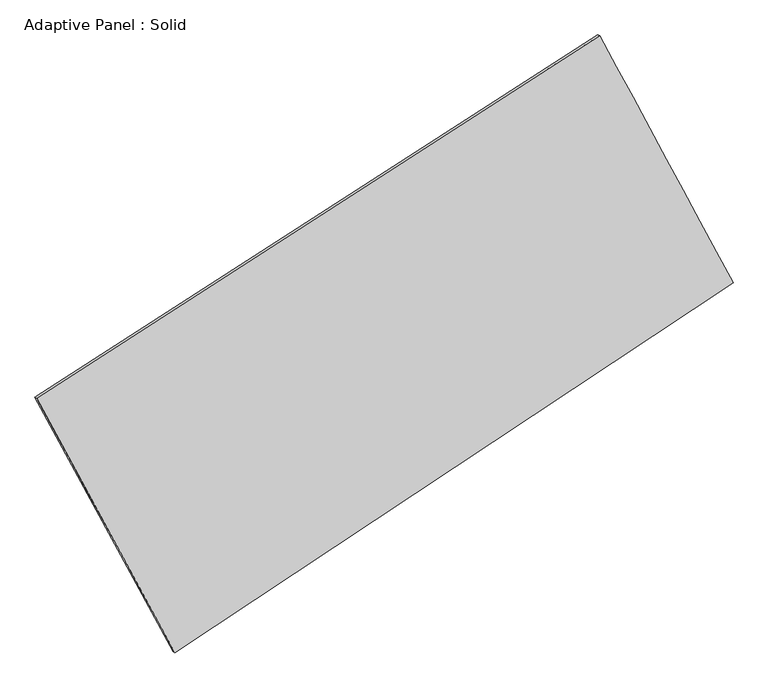
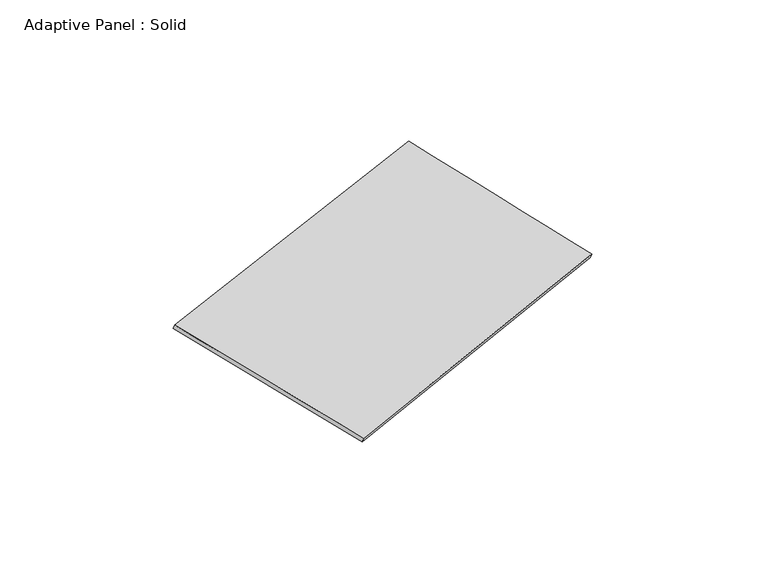
"""IFC4 building model written with IfcOpenShell, lengths in millimetres: plate geometry, Adaptive Panel : Solid."""

from ifc_helpers import new_model, si_unit, frame, origin, place, context, project, spatial, source, transform, mapped, element, save
from ifc_brep_helpers import plane_surface, spline_surface, advanced_brep


def adaptive_panel_solid_811182a7(model_context):
    return source(origin(), model_context, "Body", "AdvancedBrep", [
        advanced_brep(
        [(1195.6810527, 2550.9046024, 667.385211), (-3671.7762196, -582.010247, 1731.184542), (-3657.1098637, -588.3903404, 1778.55745), (1210.3474085, 2544.5245089, 714.7581191), (-2476.0565245, -2783.278903, 1085.4453671), (-2461.3901687, -2789.6589965, 1132.8182751), (2348.8611132, 414.1359748, 1.1074001), (2363.5274691, 407.7558813, 48.4803082)],
        [
            (0, 1),
            (1, 2),
            (2, 3),
            (3, 0),
            (1, 4),
            (4, 5),
            (5, 2),
            (4, 6),
            (6, 7),
            (7, 5),
            (6, 0),
            (3, 7),
        ],
        [
            plane_surface(frame((-1238.0475834, 984.4471777, 1199.2848765), z_axis=(-0.48128203226204713, 0.83659711451189, 0.2616732187521177), x_axis=(-0.8270270145036862, -0.5323118559900742, 0.18074956501613512))),
            plane_surface(frame((-3073.916372, -1682.644575, 1408.3149545), z_axis=(-0.8380801225459429, -0.5111603100740041, 0.1906222589269827), x_axis=(0.462212206633947, -0.8509128411103084, -0.24961412794984314))),
            plane_surface(frame((-63.5977056, -1184.5714641, 543.2763836), z_axis=(0.4909359425578697, -0.8302919285217382, -0.2638128384602785), x_axis=(0.8193248263175824, 0.5429567064324546, -0.18413268020556464))),
            plane_surface(frame((1772.271083, 1482.5202886, 334.2463056), z_axis=(0.8378546958954736, 0.5115766116284508, -0.19049640154254166), x_axis=(-0.4580032663125897, 0.8486506524719806, 0.2646225200278331))),
            spline_surface(1, 1, [[(-3657.1098637, -588.3903404, 1778.55745), (1210.3474085, 2544.5245089, 714.7581191)], [(-2461.3901687, -2789.6589965, 1132.8182751), (2363.5274691, 407.7558813, 48.4803082)]], [2, 2], [2, 2], [0.0, 1.0], [0.0, 1.0]),
            spline_surface(1, 1, [[(2348.8611132, 414.1359748, 1.1074001), (1195.6810527, 2550.9046024, 667.385211)], [(-2476.0565245, -2783.278903, 1085.4453671), (-3671.7762196, -582.010247, 1731.184542)]], [2, 2], [2, 2], [0.0, 1.0], [0.0, 1.0]),
        ],
        [
            (0, [[1, 2, 3, 4]]),
            (1, [[5, 6, 7, -2]]),
            (2, [[8, 9, 10, -6]]),
            (3, [[11, -4, 12, -9]]),
            (4, [[-3, -7, -10, -12]]),
            (5, [[-11, -8, -5, -1]]),
        ],
    ),
    ])


if __name__ == "__main__":
    model = new_model("IFC4")
    model_context = context("Model", 3, world=origin())
    ifc_project = project(units=[si_unit("LENGTHUNIT", "METRE", prefix="MILLI")], contexts=[model_context])
    site = spatial("IfcSite", under=ifc_project)
    building = spatial("IfcBuilding", under=site)
    placement = place(None, origin())
    adaptive_panel_solid_shape = adaptive_panel_solid_811182a7(model_context)
    element("IfcPlate", 1, ObjectType="Adaptive Panel : Solid", at=placement, inside=building, context=model_context, shape_type="MappedRepresentation", body=[
        mapped(adaptive_panel_solid_shape, transform((0.0, 0.0, 0.0), x_axis=(1.0, 0.0, 0.0), y_axis=(0.0, 1.0, 0.0), z_axis=(0.0, 0.0, 1.0))),
    ])
    save(model, "model.ifc")
